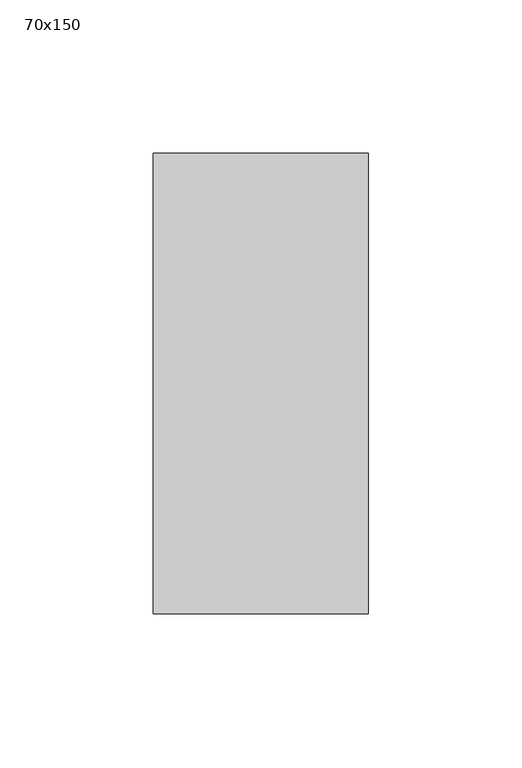
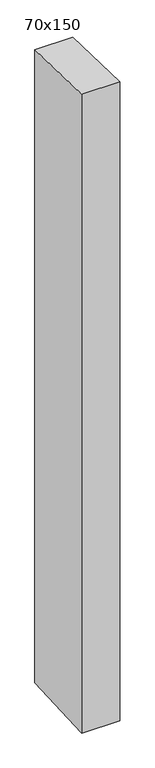
"""IFC4 building model written with IfcOpenShell, lengths in millimetres: member geometry, 70x150."""

import ifcopenshell
import ifcopenshell.guid

model = None  # the IFC model being written
_history = None  # IfcOwnerHistory: only IFC2X3 demands one
_inside = {}  # id of a spatial element -> (the spatial element, [elements in it])
_under = {}  # id of a project, library or spatial element -> (it, [spatial elements below it])
_declared = {}  # id of a project -> (the project, [libraries it declares])
_typed = {}  # id of a type object -> (the type object, [elements of that type])
_made_of = {}  # id of a material, layer set ... -> (it, [elements and type objects made of it])


def new_model(schema):
    """Start an empty IFC model of exactly this schema.

    Asked for "IFC4X3", IfcOpenShell would pick the latest addendum, in which some entities
    have other attributes; the version numbers below select the first issue.
    IFC2X3 requires an IfcOwnerHistory on every rooted entity: one is made here for all.
    """
    global model, _history
    if schema == "IFC4X3":
        model = ifcopenshell.file(schema_version=(4, 3, 0, 0))
    else:
        model = ifcopenshell.file(schema=schema)
    _inside.clear()
    _under.clear()
    _declared.clear()
    _typed.clear()
    _made_of.clear()
    _history = None
    if model.schema == "IFC2X3":
        org = make("IfcOrganization", Name="unknown")
        user = make(
            "IfcPersonAndOrganization",
            ThePerson=make("IfcPerson", FamilyName="unknown"),
            TheOrganization=org,
        )
        app = make(
            "IfcApplication",
            ApplicationDeveloper=org,
            Version="unknown",
            ApplicationFullName="unknown",
            ApplicationIdentifier="unknown",
        )
        _history = make(
            "IfcOwnerHistory",
            OwningUser=user,
            OwningApplication=app,
            ChangeAction="ADDED",
            CreationDate=0,
        )
    return model


def make(cls, **values):
    """One entity of the class cls with the attributes given. An attribute that is None is left unset."""
    return model.create_entity(
        cls, **{name: value for name, value in values.items() if value is not None}
    )


def rooted(cls, **values):
    """An entity with a GlobalId (a new one), such as an element, a storey or a relation."""
    return make(cls, GlobalId=ifcopenshell.guid.new(), OwnerHistory=_history, **values)


def si_unit(unit_type, name, prefix=None):
    """IfcSIUnit, for example si_unit("LENGTHUNIT", "METRE", prefix="MILLI")."""
    return make("IfcSIUnit", UnitType=unit_type, Prefix=prefix, Name=name)


def assignment(units):
    """IfcUnitAssignment: the units of a project."""
    return None if units is None else make("IfcUnitAssignment", Units=units)


def point(xyz):
    """IfcCartesianPoint."""
    return None if xyz is None else make("IfcCartesianPoint", Coordinates=xyz)


def direction(xyz):
    """IfcDirection."""
    return None if xyz is None else make("IfcDirection", DirectionRatios=xyz)


def frame(location, z_axis=None, x_axis=None):
    """IfcAxis2Placement3D, a coordinate frame: its origin and axes. An axis left out is left unset."""
    return make(
        "IfcAxis2Placement3D",
        Location=point(location),
        Axis=direction(z_axis),
        RefDirection=direction(x_axis),
    )


def origin():
    """The frame at (0, 0, 0) with its axes left unset."""
    return frame((0.0, 0.0, 0.0))


def place(relative_to, where):
    """IfcLocalPlacement: puts the frame where relative to a parent placement (None: the world)."""
    return make(
        "IfcLocalPlacement", PlacementRelTo=relative_to, RelativePlacement=where
    )


def context(
    kind, dimensions, precision=None, world=None, true_north=None, identifier=None
):
    """IfcGeometricRepresentationContext, for example the 3D "Model" context."""
    return make(
        "IfcGeometricRepresentationContext",
        ContextIdentifier=identifier,
        ContextType=kind,
        CoordinateSpaceDimension=dimensions,
        Precision=precision,
        WorldCoordinateSystem=world,
        TrueNorth=true_north,
    )


def project(units=None, contexts=None):
    """IfcProject with its units and contexts."""
    return rooted(
        "IfcProject",
        Name="project",
        RepresentationContexts=contexts,
        UnitsInContext=assignment(units),
    )


def spatial(cls, under=None, at=None, **own):
    """A site, building, storey or space (cls), placed at a placement, below another one or the project."""
    s = rooted(cls, ObjectPlacement=at, **own)
    if under is not None:
        _under.setdefault(under.id(), (under, []))[1].append(s)
    return s


def polyline(points):
    """IfcPolyline through the points."""
    return make("IfcPolyline", Points=[point(p) for p in points])


def outline(outer, holes=None, kind="AREA"):
    """IfcArbitraryClosedProfileDef: a profile drawn as a closed curve; with holes, ...WithVoids."""
    if holes is None:
        return make("IfcArbitraryClosedProfileDef", ProfileType=kind, OuterCurve=outer)
    return make(
        "IfcArbitraryProfileDefWithVoids",
        ProfileType=kind,
        OuterCurve=outer,
        InnerCurves=holes,
    )


def extrude(swept, where, along, depth):
    """IfcExtrudedAreaSolid: the profile swept, set in the frame where, extruded along a direction by depth."""
    return make(
        "IfcExtrudedAreaSolid",
        SweptArea=swept,
        Position=where,
        ExtrudedDirection=direction(along),
        Depth=depth,
    )


def shape(context_of_items, identifier, shape_type, items):
    """IfcShapeRepresentation: the items that make up one representation, for example the "Body"."""
    return make(
        "IfcShapeRepresentation",
        ContextOfItems=context_of_items,
        RepresentationIdentifier=identifier,
        RepresentationType=shape_type,
        Items=items,
    )


def source(mapping_origin, context_of_items, identifier, shape_type, items):
    """IfcRepresentationMap: a shape defined once, which mapped items show again and again."""
    return make(
        "IfcRepresentationMap",
        MappingOrigin=mapping_origin,
        MappedRepresentation=shape(context_of_items, identifier, shape_type, items),
    )


def transform(
    local_origin,
    x_axis=None,
    y_axis=None,
    z_axis=None,
    scale=None,
    scale2=None,
    scale3=None,
    uniform=True,
):
    """IfcCartesianTransformationOperator3D, or its non-uniform kind. x_axis, y_axis, z_axis: its Axis1, 2, 3."""
    if uniform:
        return make(
            "IfcCartesianTransformationOperator3D",
            Axis1=direction(x_axis),
            Axis2=direction(y_axis),
            LocalOrigin=point(local_origin),
            Scale=scale,
            Axis3=direction(z_axis),
        )
    return make(
        "IfcCartesianTransformationOperator3DnonUniform",
        Axis1=direction(x_axis),
        Axis2=direction(y_axis),
        LocalOrigin=point(local_origin),
        Scale=scale,
        Axis3=direction(z_axis),
        Scale2=scale2,
        Scale3=scale3,
    )


def mapped(mapping_source, mapping_target):
    """IfcMappedItem: shows the shape of a source again, moved by a transform."""
    return make(
        "IfcMappedItem", MappingSource=mapping_source, MappingTarget=mapping_target
    )


def made_of(thing, what):
    """Note that an element or type object is made of a material, layer set ...; save() writes the relation."""
    if what is not None:
        _made_of.setdefault(what.id(), (what, []))[1].append(thing)
    return thing


def element(
    cls,
    number,
    at=None,
    inside=None,
    cuts=None,
    type_object=None,
    material=None,
    context=None,
    identifier="Body",
    shape_type=None,
    held_by="IfcProductDefinitionShape",
    body=None,
    shapes=None,
    **own,
):
    """One element of the class cls, such as IfcWall. Its Tag is "e" and its number.

    at: its placement. inside: the storey or other place that contains it. cuts: it is an
    opening in that element (IfcRelVoidsElement). A single representation is given by context,
    identifier, shape_type and body (its items); several are given by shapes. held_by: the class
    of the entity that holds the representations. save() writes the other relations.
    """
    e = rooted(cls, Tag="e%d" % number, ObjectPlacement=at, **own)
    if body is not None:
        shapes = [shape(context, identifier, shape_type, body)]
    if shapes is not None:
        e.Representation = make(held_by, Representations=shapes)
    if inside is not None:
        _inside.setdefault(inside.id(), (inside, []))[1].append(e)
    if cuts is not None:
        rooted(
            "IfcRelVoidsElement", RelatingBuildingElement=cuts, RelatedOpeningElement=e
        )
    if type_object is not None:
        _typed.setdefault(type_object.id(), (type_object, []))[1].append(e)
    return made_of(e, material)


def aggregate(whole, parts):
    """IfcRelAggregates: a whole, such as a stair, and the parts it consists of."""
    return rooted("IfcRelAggregates", RelatingObject=whole, RelatedObjects=parts)


def save(model, path):
    """Write the relations noted so far, then the file.

    IfcRelAggregates (storeys below a building ...), IfcRelContainedInSpatialStructure (elements
    in a storey), IfcRelDefinesByType, IfcRelAssociatesMaterial and IfcRelDeclares: one each for
    every whole, place, type object, material and project.
    """
    for whole, parts in _under.values():
        aggregate(whole, parts)
    for where, things in _inside.values():
        rooted(
            "IfcRelContainedInSpatialStructure",
            RelatedElements=things,
            RelatingStructure=where,
        )
    for kind, things in _typed.values():
        rooted("IfcRelDefinesByType", RelatedObjects=things, RelatingType=kind)
    for what, things in _made_of.values():
        rooted("IfcRelAssociatesMaterial", RelatedObjects=things, RelatingMaterial=what)
    for by, libraries in _declared.values():
        rooted("IfcRelDeclares", RelatingContext=by, RelatedDefinitions=libraries)
    model.write(path)


def member_70x150_80328262(model_context):
    return source(origin(), model_context, "Body", "SweptSolid", [
        extrude(outline(polyline([(-75.0, 2.1669049), (75.0, -2.1669049), (75.0, -1237.232109), (-75.0, -1244.7469313), (-75.0, 2.1669049)])), frame((-35.0, 0.0, 0.0), z_axis=(1.0, 0.0, 0.0), x_axis=(0.0, 1.0, 0.0)), (0.0, 0.0, 1.0), 70.0),
    ])


if __name__ == "__main__":
    model = new_model("IFC4")
    model_context = context("Model", 3, world=origin())
    ifc_project = project(units=[si_unit("LENGTHUNIT", "METRE", prefix="MILLI")], contexts=[model_context])
    site = spatial("IfcSite", under=ifc_project)
    building = spatial("IfcBuilding", under=site)
    placement = place(None, origin())
    member_70x150_shape = member_70x150_80328262(model_context)
    element("IfcMember", 1, ObjectType="70x150", at=placement, inside=building, context=model_context, shape_type="MappedRepresentation", body=[
        mapped(member_70x150_shape, transform((0.0, 0.0, 0.0), x_axis=(1.0, 0.0, 0.0), y_axis=(0.0, 1.0, 0.0), z_axis=(0.0, 0.0, 1.0))),
    ])
    save(model, "model.ifc")
